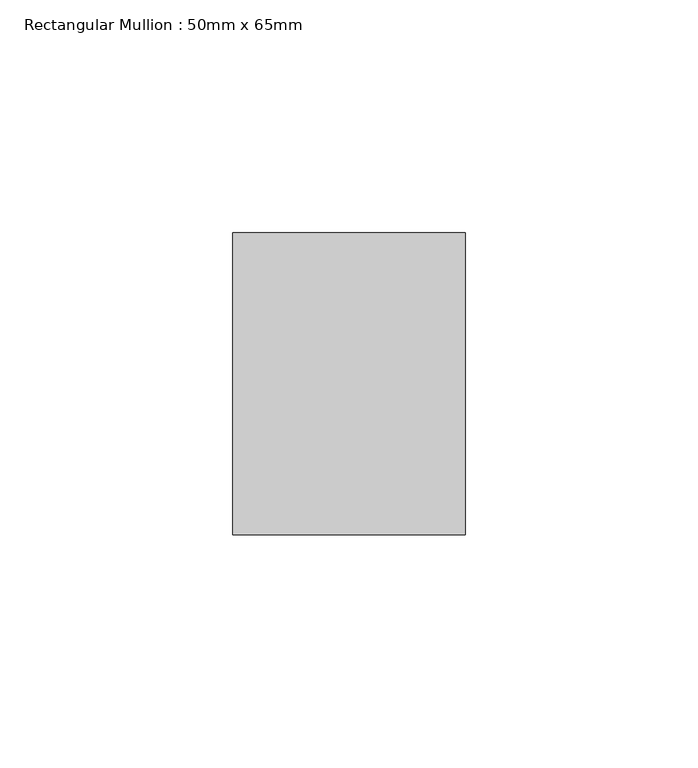
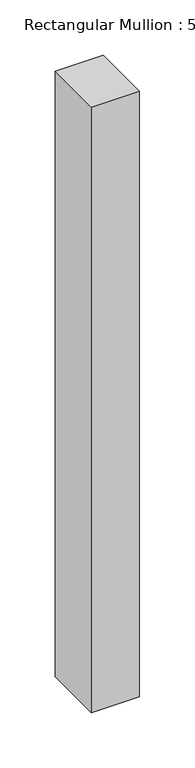
"""IFC4 building model written with IfcOpenShell, lengths in millimetres: member geometry, Rectangular Mullion : 50mm x 65mm."""

from ifc_helpers import new_model, si_unit, frame, origin, place, context, project, spatial, polyline, outline, extrude, source, transform, mapped, element, save


def rectangular_mullion_50mm_x_65mm_c8ba8ad3(model_context):
    return source(origin(), model_context, "Body", "SweptSolid", [
        extrude(outline(polyline([(25.0, 32.5), (25.0, -32.5), (-25.0, -32.5), (-25.0, 32.5), (25.0, 32.5)])), frame((0.0, 0.0, -667.5403681), z_axis=(0.0, 0.0, 1.0), x_axis=(1.0, 0.0, 0.0)), (0.0, 0.0, 1.0), 667.5403681),
    ])


if __name__ == "__main__":
    model = new_model("IFC4")
    model_context = context("Model", 3, world=origin())
    ifc_project = project(units=[si_unit("LENGTHUNIT", "METRE", prefix="MILLI")], contexts=[model_context])
    site = spatial("IfcSite", under=ifc_project)
    building = spatial("IfcBuilding", under=site)
    placement = place(None, origin())
    rectangular_mullion_50mm_x_65mm_shape = rectangular_mullion_50mm_x_65mm_c8ba8ad3(model_context)
    element("IfcMember", 1, ObjectType="Rectangular Mullion : 50mm x 65mm", at=placement, inside=building, context=model_context, shape_type="MappedRepresentation", body=[
        mapped(rectangular_mullion_50mm_x_65mm_shape, transform((0.0, 0.0, 0.0), x_axis=(1.0, 0.0, 0.0), y_axis=(0.0, 1.0, 0.0), z_axis=(0.0, 0.0, 1.0))),
    ])
    save(model, "model.ifc")
